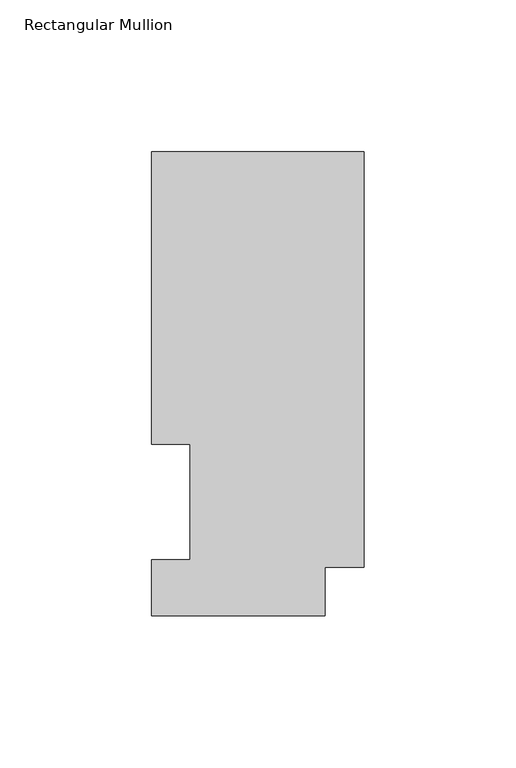
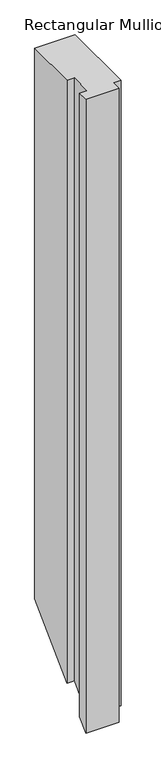
"""IFC4 building model written with IfcOpenShell, lengths in millimetres: member geometry, Rectangular Mullion."""

from ifc_helpers import new_model, si_unit, origin, place, context, project, spatial, faceted_brep, source, transform, mapped, element, save


def rectangular_mullion_3508d040(model_context):
    return source(origin(), model_context, "Body", "Brep", [
        faceted_brep([(-69.9516, 152.6475062, 0.0), (-69.9516, 56.35625, 0.0), (-57.2516, 56.35625, 0.0), (-57.2516, 18.25625, 0.0), (-69.9516, 18.25625, 0.0), (-69.9516, -0.03175, 0.0), (-12.8016, -0.03175, 0.0), (-12.8016, 15.86865, 0.0), (0.0, 15.86865, 0.0), (0.0, 152.6475062, 0.0), (-69.9516, 152.6475062, -1003.4176188), (-69.9516, 56.35625, -1099.708875), (-57.2516, 56.35625, -1099.708875), (-57.2516, 18.25625, -1137.808875), (-69.9516, 18.25625, -1137.808875), (-69.9516, -0.03175, -1156.096875), (-12.8016, -0.03175, -1156.096875), (-12.8016, 15.86865, -1140.196475), (0.0, 15.86865, -1140.196475), (0.0, 152.6475062, -1003.4176188)], [[[0, 1, 2, 3, 4, 5, 6, 7, 8, 9]], [[1, 0, 10, 11]], [[2, 1, 11, 12]], [[3, 2, 12, 13]], [[4, 3, 13, 14]], [[5, 4, 14, 15]], [[6, 5, 15, 16]], [[7, 6, 16, 17]], [[8, 7, 17, 18]], [[9, 8, 18, 19]], [[0, 9, 19, 10]], [[10, 19, 18, 17, 16, 15, 14, 13, 12, 11]]]),
    ])


if __name__ == "__main__":
    model = new_model("IFC4")
    model_context = context("Model", 3, world=origin())
    ifc_project = project(units=[si_unit("LENGTHUNIT", "METRE", prefix="MILLI")], contexts=[model_context])
    site = spatial("IfcSite", under=ifc_project)
    building = spatial("IfcBuilding", under=site)
    placement = place(None, origin())
    rectangular_mullion_shape = rectangular_mullion_3508d040(model_context)
    element("IfcMember", 1, ObjectType="Rectangular Mullion", at=placement, inside=building, context=model_context, shape_type="MappedRepresentation", body=[
        mapped(rectangular_mullion_shape, transform((0.0, 0.0, 0.0), x_axis=(1.0, 0.0, 0.0), y_axis=(0.0, 1.0, 0.0), z_axis=(0.0, 0.0, 1.0))),
    ])
    save(model, "model.ifc")
